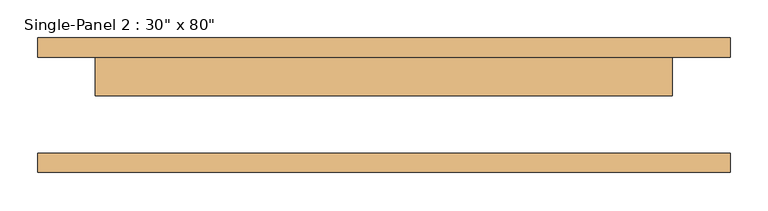
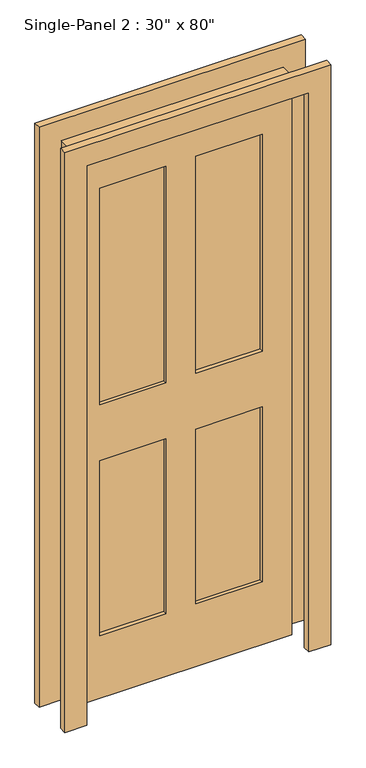
"""IFC4 building model written with IfcOpenShell, lengths in millimetres: door geometry."""

from ifc_helpers import new_model, si_unit, frame, origin, place, context, project, spatial, polyline, outline, extrude, source, transform, mapped, element, save


def door_cb32f8cd(model_context):
    return source(origin(), model_context, "Body", "SweptSolid", [
        extrude(outline(polyline([(-50.9240165, 25.4), (-278.8511799, 25.4), (-278.8511799, 50.8), (-50.9240165, 50.8), (-50.9240165, 25.4)])), frame((0.0, 0.0, 1068.1906173), z_axis=(0.0, 0.0, 1.0), x_axis=(1.0, 0.0, 0.0)), (0.0, 0.0, 1.0), 787.6046757),
        extrude(outline(polyline([(279.9488201, 25.4), (50.6759835, 25.4), (50.6759835, 50.8), (279.9488201, 50.8), (279.9488201, 25.4)])), frame((0.0, 0.0, 1068.1906173), z_axis=(0.0, 0.0, 1.0), x_axis=(1.0, 0.0, 0.0)), (0.0, 0.0, 1.0), 787.6046757),
        extrude(outline(polyline([(-50.9240165, 25.4), (-278.8511799, 25.4), (-278.8511799, 50.8), (-50.9240165, 50.8), (-50.9240165, 25.4)])), frame((0.0, 0.0, 230.195293), z_axis=(0.0, 0.0, 1.0), x_axis=(1.0, 0.0, 0.0)), (0.0, 0.0, 1.0), 635.0),
        extrude(outline(polyline([(279.9488201, 25.4), (50.6759835, 25.4), (50.6759835, 50.8), (279.9488201, 50.8), (279.9488201, 25.4)])), frame((0.0, 0.0, 230.195293), z_axis=(0.0, 0.0, 1.0), x_axis=(1.0, 0.0, 0.0)), (0.0, 0.0, 1.0), 634.7953243),
        extrude(outline(polyline([(2108.2, -457.2), (1.3906173, -457.2), (1.3906173, -381.1240165), (2033.3906173, -381.1240165), (2033.3906173, 380.8759835), (1.3906173, 380.8759835), (0.0, 457.2), (2108.2, 457.2), (2108.2, -457.2)])), frame((0.0, 63.5, 0.0), z_axis=(0.0, 1.0, 0.0), x_axis=(0.0, 0.0, 1.0)), (0.0, 0.0, 1.0), 25.4),
        extrude(outline(polyline([(2108.2, 457.2), (2108.2, -457.2), (1.3906173, -457.2), (1.3906173, -381.1240165), (2033.3906173, -381.1240165), (2033.3906173, 380.8759835), (1.3906173, 380.8759835), (0.0, 457.2), (2108.2, 457.2)])), frame((0.0, -88.9, 0.0), z_axis=(0.0, 1.0, 0.0), x_axis=(0.0, 0.0, 1.0)), (0.0, 0.0, 1.0), 25.4),
        extrude(outline(polyline([(2033.3906173, 380.8759835), (2033.3906173, -381.1240165), (1.3906173, -381.1240165), (1.3906173, 380.8759835), (2033.3906173, 380.8759835)]), holes=[polyline([(1855.795293, -50.9240165), (1068.1906173, -50.9240165), (1068.1906173, -278.8511799), (1855.795293, -278.8511799), (1855.795293, -50.9240165)]), polyline([(1855.795293, 279.9488201), (1068.1906173, 279.9488201), (1068.1906173, 50.6759835), (1855.795293, 50.6759835), (1855.795293, 279.9488201)]), polyline([(865.195293, -50.9240165), (230.195293, -50.9240165), (230.195293, -278.8511799), (865.195293, -278.8511799), (865.195293, -50.9240165)]), polyline([(864.9906173, 279.9488201), (230.195293, 279.9488201), (230.195293, 50.6759835), (864.9906173, 50.6759835), (864.9906173, 279.9488201)])]), frame((0.0, 12.7, 0.0), z_axis=(0.0, 1.0, 0.0), x_axis=(0.0, 0.0, 1.0)), (0.0, 0.0, 1.0), 50.8),
    ])


if __name__ == "__main__":
    model = new_model("IFC4")
    model_context = context("Model", 3, world=origin())
    ifc_project = project(units=[si_unit("LENGTHUNIT", "METRE", prefix="MILLI")], contexts=[model_context])
    site = spatial("IfcSite", under=ifc_project)
    building = spatial("IfcBuilding", under=site)
    placement = place(None, origin())
    door_shape = door_cb32f8cd(model_context)
    element("IfcDoor", 1, ObjectType="Single-Panel 2 : 30\" x 80\"", at=placement, inside=building, context=model_context, shape_type="MappedRepresentation", body=[
        mapped(door_shape, transform((0.0, 0.0, 0.0), x_axis=(1.0, 0.0, 0.0), y_axis=(0.0, 1.0, 0.0), z_axis=(0.0, 0.0, 1.0))),
    ])
    save(model, "model.ifc")
